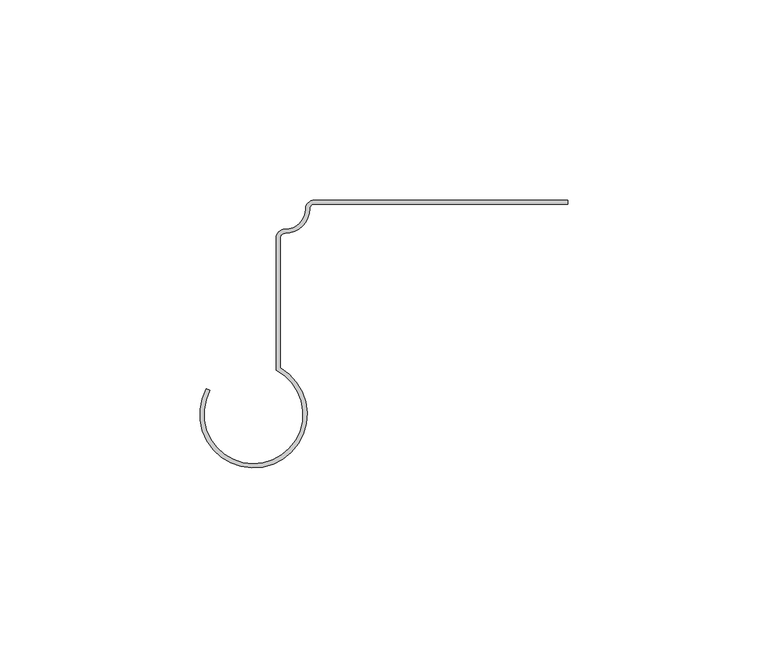
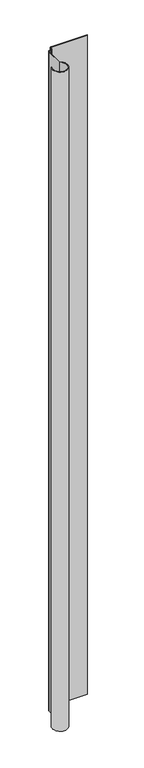
"""IFC4 building model written with IfcOpenShell, lengths in millimetres: plate geometry."""

from ifc_helpers import new_model, si_unit, point, frame_2d, origin, origin_with_axes, place, context, project, spatial, polyline, circle_curve, trimmed, segment, composite_curve, outline, extrude, source, transform, mapped, element, save


def plate_8e6fe000(model_context):
    return source(origin(), model_context, "Body", "SweptSolid", [
        extrude(outline(composite_curve([segment(trimmed(circle_curve(frame_2d((-40.4848489, -53.5211117)), 13.3973418), [point((-33.8132606, -41.9030792))], [point((-52.2403029, -47.0947543))], False, "CARTESIAN"), True, "CONTINUOUS"), segment(polyline([(-52.2403029, -47.0947543), (-51.348817, -47.5821032)]), True, "CONTINUOUS"), segment(trimmed(circle_curve(frame_2d((-40.4848489, -53.5211117)), 12.3813418), [point((-51.348817, -47.5821032))], [point((-34.8292606, -42.5069414))], True, "CARTESIAN"), True, "CONTINUOUS"), segment(polyline([(-34.8292606, -42.5069414), (-34.8292606, -9.5312641)]), True, "CONTINUOUS"), segment(trimmed(circle_curve(frame_2d((-32.5582701, -9.5312641)), 2.2709905), [point((-34.8292606, -9.5312641))], [point((-32.5582702, -7.2602736))], False, "CARTESIAN"), True, "CONTINUOUS"), segment(trimmed(circle_curve(frame_2d((-32.5582702, -2.11836)), 5.1419136), [point((-32.5582702, -7.2602736))], [point((-27.4163567, -2.11836))], True, "CARTESIAN"), True, "CONTINUOUS"), segment(trimmed(circle_curve(frame_2d((-25.2979967, -2.11836)), 2.11836), [point((-27.4163567, -2.11836))], [point((-25.2979967, 0.0))], False, "CARTESIAN"), True, "CONTINUOUS"), segment(polyline([(-25.2979967, 0.0), (38.1042607, 0.0), (38.1042607, -1.016), (-25.2979967, -1.016)]), True, "CONTINUOUS"), segment(trimmed(circle_curve(frame_2d((-25.2979967, -2.11836)), 1.10236), [point((-25.2979967, -1.016))], [point((-26.4003567, -2.11836))], True, "CARTESIAN"), True, "CONTINUOUS"), segment(trimmed(circle_curve(frame_2d((-32.5582702, -2.11836)), 6.1579136), [point((-26.4003567, -2.11836))], [point((-32.5582701, -8.2762736))], False, "CARTESIAN"), True, "CONTINUOUS"), segment(trimmed(circle_curve(frame_2d((-32.5582701, -9.5312641)), 1.2549905), [point((-32.5582701, -8.2762736))], [point((-33.8132606, -9.5312641))], True, "CARTESIAN"), True, "CONTINUOUS"), segment(polyline([(-33.8132606, -9.5312641), (-33.8132606, -41.9030792)]), True, "CONTINUOUS")], self_intersect=False)), origin_with_axes(), (0.0, 0.0, 1.0), 1228.3559792),
    ])


if __name__ == "__main__":
    model = new_model("IFC4")
    model_context = context("Model", 3, world=origin())
    ifc_project = project(units=[si_unit("LENGTHUNIT", "METRE", prefix="MILLI")], contexts=[model_context])
    site = spatial("IfcSite", under=ifc_project)
    building = spatial("IfcBuilding", under=site)
    placement = place(None, origin())
    plate_shape = plate_8e6fe000(model_context)
    element("IfcPlate", 1, at=placement, inside=building, context=model_context, shape_type="MappedRepresentation", body=[
        mapped(plate_shape, transform((0.0, 0.0, 0.0), x_axis=(1.0, 0.0, 0.0), y_axis=(0.0, 1.0, 0.0), z_axis=(0.0, 0.0, 1.0))),
    ])
    save(model, "model.ifc")
